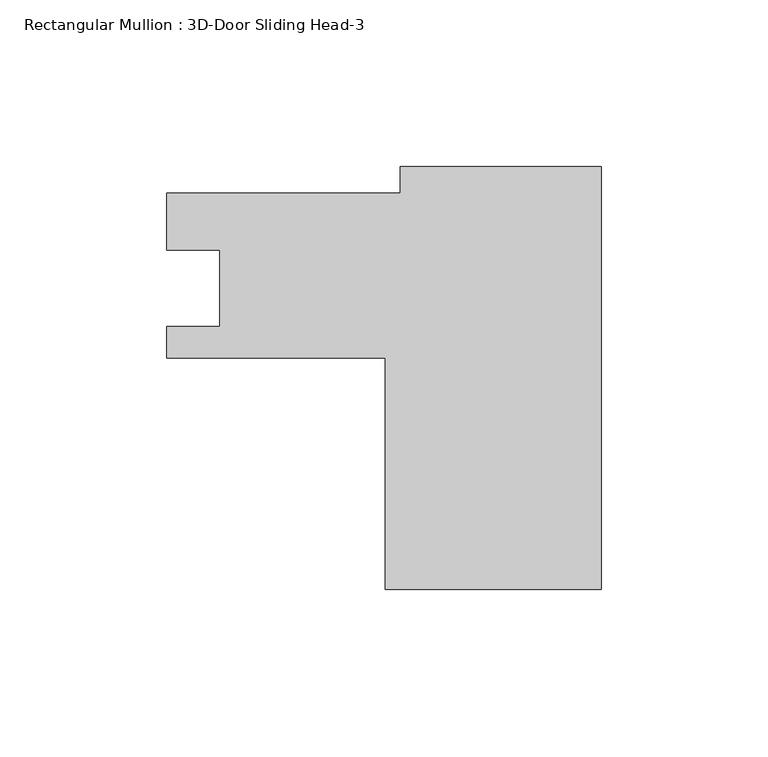
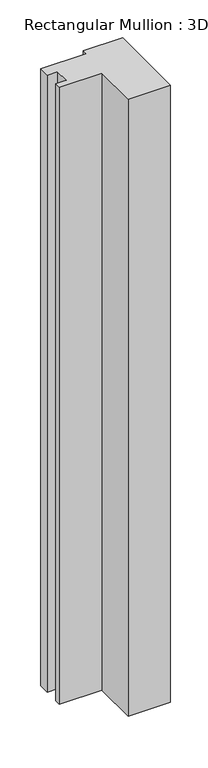
"""IFC4 building model written with IfcOpenShell, lengths in millimetres: member geometry, Rectangular Mullion : 3D-Door Sliding Head-3."""

from ifc_helpers import new_model, si_unit, frame, origin, place, context, project, spatial, polyline, outline, extrude, source, transform, mapped, element, save


def rectangular_mullion_3d_door_sliding_head_3_ba02df70(model_context):
    return source(origin(), model_context, "Body", "SweptSolid", [
        extrude(outline(polyline([(-60.325, 54.0742192), (4e-07, 54.0742192), (4e-07, -72.9257817), (-64.8706294, -72.9257817), (-64.8706294, -3.450432), (-130.4290062, -3.450432), (-130.4290062, 5.9739212), (-114.5540043, 5.9739212), (-114.5540043, 28.9155536), (-130.429, 28.9155536), (-130.429, 46.136718), (-60.325, 46.136718), (-60.325, 54.0742192)])), frame((0.0, 0.0, -1001.4257403), z_axis=(0.0, 0.0, 1.0), x_axis=(1.0, 0.0, 0.0)), (0.0, 0.0, 1.0), 1001.4257403),
    ])


if __name__ == "__main__":
    model = new_model("IFC4")
    model_context = context("Model", 3, world=origin())
    ifc_project = project(units=[si_unit("LENGTHUNIT", "METRE", prefix="MILLI")], contexts=[model_context])
    site = spatial("IfcSite", under=ifc_project)
    building = spatial("IfcBuilding", under=site)
    placement = place(None, origin())
    rectangular_mullion_3d_door_sliding_head_3_shape = rectangular_mullion_3d_door_sliding_head_3_ba02df70(model_context)
    element("IfcMember", 1, ObjectType="Rectangular Mullion : 3D-Door Sliding Head-3", at=placement, inside=building, context=model_context, shape_type="MappedRepresentation", body=[
        mapped(rectangular_mullion_3d_door_sliding_head_3_shape, transform((0.0, 0.0, 0.0), x_axis=(1.0, 0.0, 0.0), y_axis=(0.0, 1.0, 0.0), z_axis=(0.0, 0.0, 1.0))),
    ])
    save(model, "model.ifc")
